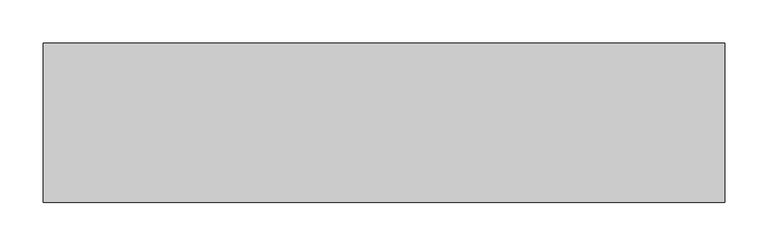
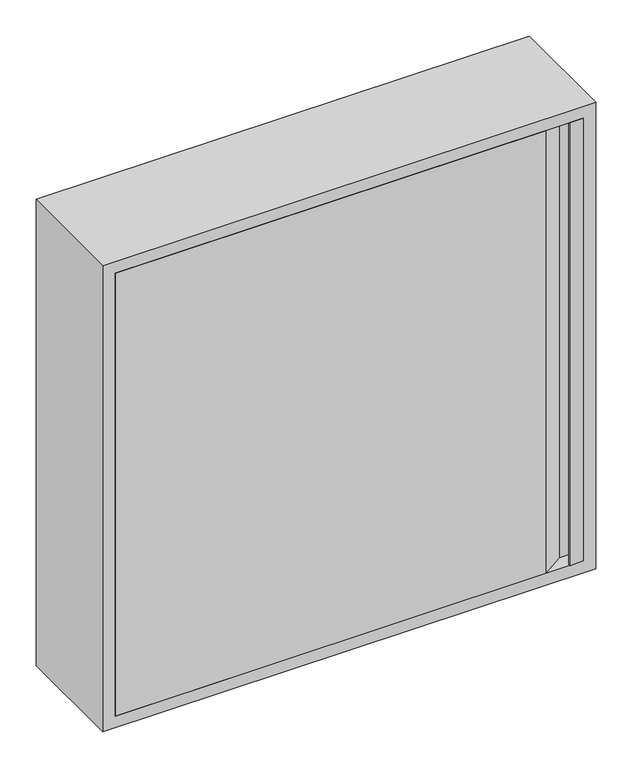
"""IFC4 building model written with IfcOpenShell, lengths in millimetres: fire suppression terminal geometry."""

from ifc_helpers import new_model, si_unit, point, frame, frame_2d, origin, place, context, project, spatial, polyline, circle_curve, trimmed, segment, composite_curve, outline, extrude, faceted_brep, source, transform, mapped, element, save


def fire_suppression_terminal_cd69304e(model_context):
    return source(origin(), model_context, "Body", "SolidModel", [
        extrude(outline(composite_curve([segment(trimmed(circle_curve(frame_2d((-355.1374166, -354.9676042)), 3.007614), [point((-352.1298027, -354.9676042))], [point((-358.1450306, -354.9676042))], False, "CARTESIAN"), True, "CONTINUOUS"), segment(trimmed(circle_curve(frame_2d((-355.1374166, -354.9676042)), 3.007614), [point((-358.1450306, -354.9676042))], [point((-352.1298027, -354.9676042))], False, "CARTESIAN"), True, "CONTINUOUS")], self_intersect=False)), frame((0.0, 162.0, 0.0), z_axis=(0.0, 1.0, 0.0), x_axis=(0.0, 0.0, 1.0)), (0.0, 0.0, 1.0), 15.0),
        extrude(outline(polyline([(353.0, -3.0), (353.0, 0.0), (354.5, 0.0), (354.5, -1.5), (373.5, -1.5), (373.5, 20.5), (350.0, 20.5), (315.0, -3.0), (-375.0, -3.0), (-375.0, 22.0), (-373.5, 22.0), (-373.5, -1.5), (314.5431419, -1.5), (349.5431419, 22.0), (375.0, 22.0), (375.0, -3.0), (353.0, -3.0)])), frame((0.0, 0.0, -375.0), z_axis=(0.0, 0.0, 1.0), x_axis=(1.0, 0.0, 0.0)), (0.0, 0.0, 1.0), 750.0),
        faceted_brep([(-375.0, 22.0, 375.0), (-375.0, -3.0, 375.0), (-375.0, -3.0, -375.0), (-375.0, 22.0, -375.0), (-376.5, -1.5, 376.5), (-376.5, 22.0, 376.5), (-376.5, 22.0, -376.5), (-376.5, -1.5, -376.5), (-393.5, 180.5, 393.5), (-393.5, -1.5, 393.5), (-393.5, -1.5, -393.5), (-393.5, 180.5, -393.5), (-375.0, 182.0, 375.0), (-375.0, 180.5, 375.0), (-375.0, 180.5, -375.0), (-375.0, 182.0, -375.0), (-395.0, -3.0, 395.0), (-395.0, 182.0, 395.0), (-395.0, 182.0, -395.0), (-395.0, -3.0, -395.0), (375.0, -3.0, -375.0), (375.0, 22.0, -375.0), (376.5, 22.0, -376.5), (376.5, -1.5, -376.5), (393.5, -1.5, -393.5), (393.5, 180.5, -393.5), (375.0, 180.5, -375.0), (375.0, 182.0, -375.0), (395.0, 182.0, -395.0), (395.0, -3.0, -395.0), (375.0, -3.0, 375.0), (375.0, 22.0, 375.0), (376.5, 22.0, 376.5), (376.5, -1.5, 376.5), (393.5, -1.5, 393.5), (393.5, 180.5, 393.5), (375.0, 180.5, 375.0), (375.0, 182.0, 375.0), (395.0, 182.0, 395.0), (395.0, -3.0, 395.0)], [[[0, 1, 2, 3]], [[4, 5, 6, 7]], [[8, 9, 10, 11]], [[12, 13, 14, 15]], [[16, 17, 18, 19]], [[3, 2, 20, 21]], [[7, 6, 22, 23]], [[11, 10, 24, 25]], [[15, 14, 26, 27]], [[19, 18, 28, 29]], [[21, 20, 30, 31]], [[23, 22, 32, 33]], [[25, 24, 34, 35]], [[27, 26, 36, 37]], [[29, 28, 38, 39]], [[1, 0, 31, 30]], [[6, 5, 32, 22], [0, 3, 21, 31]], [[5, 4, 33, 32]], [[10, 9, 34, 24], [4, 7, 23, 33]], [[9, 8, 35, 34]], [[8, 11, 25, 35], [14, 13, 36, 26]], [[13, 12, 37, 36]], [[18, 17, 38, 28], [12, 15, 27, 37]], [[17, 16, 39, 38]], [[16, 19, 29, 39], [2, 1, 30, 20]]]),
        extrude(outline(polyline([(395.0, 395.0), (395.0, -395.0), (-395.0, -395.0), (-395.0, 395.0), (395.0, 395.0)]), holes=[composite_curve([segment(trimmed(circle_curve(frame_2d((-355.1374166, -354.9676042)), 18.5), [point((-355.1374166, -373.4676042))], [point((-355.1374166, -336.4676042))], True, "CARTESIAN"), True, "CONTINUOUS"), segment(trimmed(circle_curve(frame_2d((-355.1374166, -354.9676042)), 18.5), [point((-355.1374166, -336.4676042))], [point((-355.1374166, -373.4676042))], True, "CARTESIAN"), True, "CONTINUOUS")], self_intersect=False)]), frame((0.0, 180.5, 0.0), z_axis=(0.0, 1.0, 0.0), x_axis=(0.0, 0.0, 1.0)), (0.0, 0.0, 1.0), 1.5),
    ])


if __name__ == "__main__":
    model = new_model("IFC4")
    model_context = context("Model", 3, world=origin())
    ifc_project = project(units=[si_unit("LENGTHUNIT", "METRE", prefix="MILLI")], contexts=[model_context])
    site = spatial("IfcSite", under=ifc_project)
    building = spatial("IfcBuilding", under=site)
    placement = place(None, origin())
    fire_suppression_terminal_shape = fire_suppression_terminal_cd69304e(model_context)
    element("IfcFireSuppressionTerminal", 1, at=placement, inside=building, context=model_context, shape_type="MappedRepresentation", body=[
        mapped(fire_suppression_terminal_shape, transform((0.0, 0.0, 0.0), x_axis=(1.0, 0.0, 0.0), y_axis=(0.0, 1.0, 0.0), z_axis=(0.0, 0.0, 1.0))),
    ])
    save(model, "model.ifc")
